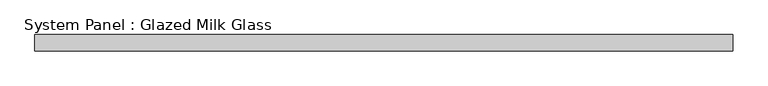
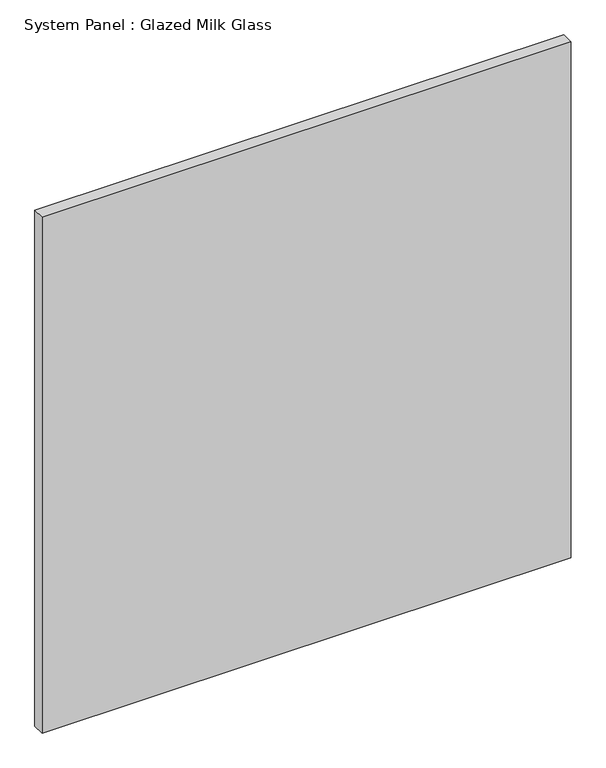
"""IFC4 building model written with IfcOpenShell, lengths in millimetres: plate geometry, System Panel : Glazed Milk Glass."""

from ifc_helpers import new_model, si_unit, origin, origin_with_axes, place, context, project, spatial, polyline, outline, extrude, source, transform, mapped, element, save


def system_panel_glazed_milk_glass_bea5c177(model_context):
    return source(origin(), model_context, "Body", "SweptSolid", [
        extrude(outline(polyline([(535.3124998, -12.5), (-535.3124998, -12.5), (-535.3124998, 12.5), (535.3124998, 12.5), (535.3124998, -12.5)])), origin_with_axes(), (0.0, 0.0, 1.0), 1103.2093509),
    ])


if __name__ == "__main__":
    model = new_model("IFC4")
    model_context = context("Model", 3, world=origin())
    ifc_project = project(units=[si_unit("LENGTHUNIT", "METRE", prefix="MILLI")], contexts=[model_context])
    site = spatial("IfcSite", under=ifc_project)
    building = spatial("IfcBuilding", under=site)
    placement = place(None, origin())
    system_panel_glazed_milk_glass_shape = system_panel_glazed_milk_glass_bea5c177(model_context)
    element("IfcPlate", 1, ObjectType="System Panel : Glazed Milk Glass", at=placement, inside=building, context=model_context, shape_type="MappedRepresentation", body=[
        mapped(system_panel_glazed_milk_glass_shape, transform((0.0, 0.0, 0.0), x_axis=(1.0, 0.0, 0.0), y_axis=(0.0, 1.0, 0.0), z_axis=(0.0, 0.0, 1.0))),
    ])
    save(model, "model.ifc")
